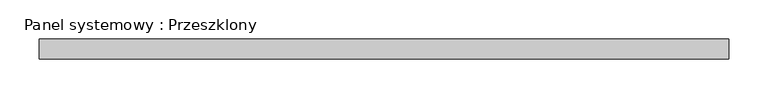
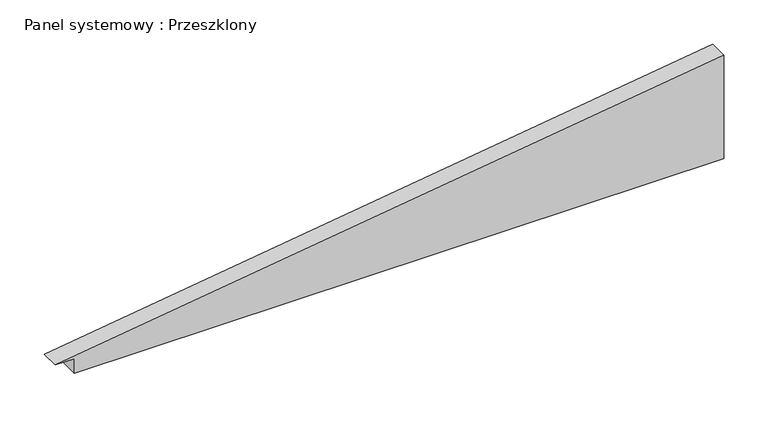
"""IFC4 building model written with IfcOpenShell, lengths in millimetres: plate geometry, Panel systemowy : Przeszklony."""

from ifc_helpers import new_model, si_unit, frame, origin, place, context, project, spatial, polyline, outline, extrude, source, transform, mapped, element, save


def panel_systemowy_przeszklony_633cd11e(model_context):
    return source(origin(), model_context, "Body", "SweptSolid", [
        extrude(outline(polyline([(0.0, -412.5), (0.0, 437.5), (143.3536975, 437.5), (20.3123154, -437.5), (20.3123154, -412.5), (0.0, -412.5)])), frame((0.0, 24.5, 0.0), z_axis=(0.0, 1.0, 0.0), x_axis=(0.0, 0.0, 1.0)), (0.0, 0.0, 1.0), 25.0),
    ])


if __name__ == "__main__":
    model = new_model("IFC4")
    model_context = context("Model", 3, world=origin())
    ifc_project = project(units=[si_unit("LENGTHUNIT", "METRE", prefix="MILLI")], contexts=[model_context])
    site = spatial("IfcSite", under=ifc_project)
    building = spatial("IfcBuilding", under=site)
    placement = place(None, origin())
    panel_systemowy_przeszklony_shape = panel_systemowy_przeszklony_633cd11e(model_context)
    element("IfcPlate", 1, ObjectType="Panel systemowy : Przeszklony", at=placement, inside=building, context=model_context, shape_type="MappedRepresentation", body=[
        mapped(panel_systemowy_przeszklony_shape, transform((0.0, 0.0, 0.0), x_axis=(1.0, 0.0, 0.0), y_axis=(0.0, 1.0, 0.0), z_axis=(0.0, 0.0, 1.0))),
    ])
    save(model, "model.ifc")
